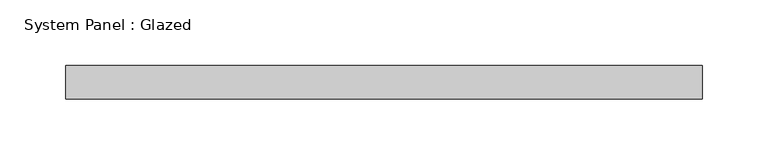
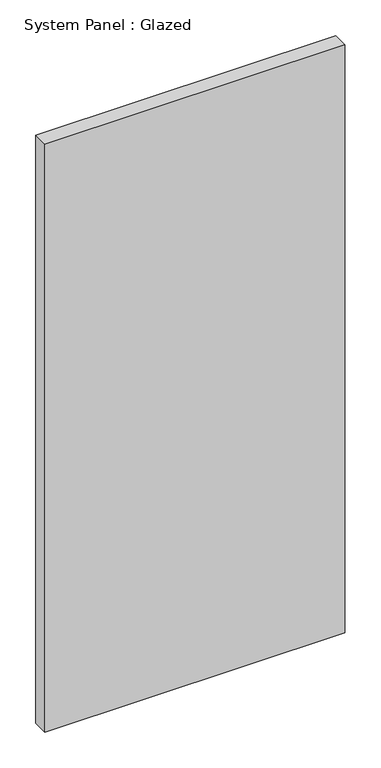
"""IFC4 building model written with IfcOpenShell, lengths in millimetres: plate geometry, System Panel : Glazed."""

import ifcopenshell
import ifcopenshell.guid

model = None  # the IFC model being written
_history = None  # IfcOwnerHistory: only IFC2X3 demands one
_inside = {}  # id of a spatial element -> (the spatial element, [elements in it])
_under = {}  # id of a project, library or spatial element -> (it, [spatial elements below it])
_declared = {}  # id of a project -> (the project, [libraries it declares])
_typed = {}  # id of a type object -> (the type object, [elements of that type])
_made_of = {}  # id of a material, layer set ... -> (it, [elements and type objects made of it])


def new_model(schema):
    """Start an empty IFC model of exactly this schema.

    Asked for "IFC4X3", IfcOpenShell would pick the latest addendum, in which some entities
    have other attributes; the version numbers below select the first issue.
    IFC2X3 requires an IfcOwnerHistory on every rooted entity: one is made here for all.
    """
    global model, _history
    if schema == "IFC4X3":
        model = ifcopenshell.file(schema_version=(4, 3, 0, 0))
    else:
        model = ifcopenshell.file(schema=schema)
    _inside.clear()
    _under.clear()
    _declared.clear()
    _typed.clear()
    _made_of.clear()
    _history = None
    if model.schema == "IFC2X3":
        org = make("IfcOrganization", Name="unknown")
        user = make(
            "IfcPersonAndOrganization",
            ThePerson=make("IfcPerson", FamilyName="unknown"),
            TheOrganization=org,
        )
        app = make(
            "IfcApplication",
            ApplicationDeveloper=org,
            Version="unknown",
            ApplicationFullName="unknown",
            ApplicationIdentifier="unknown",
        )
        _history = make(
            "IfcOwnerHistory",
            OwningUser=user,
            OwningApplication=app,
            ChangeAction="ADDED",
            CreationDate=0,
        )
    return model


def make(cls, **values):
    """One entity of the class cls with the attributes given. An attribute that is None is left unset."""
    return model.create_entity(
        cls, **{name: value for name, value in values.items() if value is not None}
    )


def rooted(cls, **values):
    """An entity with a GlobalId (a new one), such as an element, a storey or a relation."""
    return make(cls, GlobalId=ifcopenshell.guid.new(), OwnerHistory=_history, **values)


def si_unit(unit_type, name, prefix=None):
    """IfcSIUnit, for example si_unit("LENGTHUNIT", "METRE", prefix="MILLI")."""
    return make("IfcSIUnit", UnitType=unit_type, Prefix=prefix, Name=name)


def assignment(units):
    """IfcUnitAssignment: the units of a project."""
    return None if units is None else make("IfcUnitAssignment", Units=units)


def point(xyz):
    """IfcCartesianPoint."""
    return None if xyz is None else make("IfcCartesianPoint", Coordinates=xyz)


def direction(xyz):
    """IfcDirection."""
    return None if xyz is None else make("IfcDirection", DirectionRatios=xyz)


def frame(location, z_axis=None, x_axis=None):
    """IfcAxis2Placement3D, a coordinate frame: its origin and axes. An axis left out is left unset."""
    return make(
        "IfcAxis2Placement3D",
        Location=point(location),
        Axis=direction(z_axis),
        RefDirection=direction(x_axis),
    )


def origin():
    """The frame at (0, 0, 0) with its axes left unset."""
    return frame((0.0, 0.0, 0.0))


def origin_with_axes():
    """The frame at (0, 0, 0) with the z axis (0, 0, 1) and the x axis (1, 0, 0) written out."""
    return frame((0.0, 0.0, 0.0), z_axis=(0.0, 0.0, 1.0), x_axis=(1.0, 0.0, 0.0))


def place(relative_to, where):
    """IfcLocalPlacement: puts the frame where relative to a parent placement (None: the world)."""
    return make(
        "IfcLocalPlacement", PlacementRelTo=relative_to, RelativePlacement=where
    )


def context(
    kind, dimensions, precision=None, world=None, true_north=None, identifier=None
):
    """IfcGeometricRepresentationContext, for example the 3D "Model" context."""
    return make(
        "IfcGeometricRepresentationContext",
        ContextIdentifier=identifier,
        ContextType=kind,
        CoordinateSpaceDimension=dimensions,
        Precision=precision,
        WorldCoordinateSystem=world,
        TrueNorth=true_north,
    )


def project(units=None, contexts=None):
    """IfcProject with its units and contexts."""
    return rooted(
        "IfcProject",
        Name="project",
        RepresentationContexts=contexts,
        UnitsInContext=assignment(units),
    )


def spatial(cls, under=None, at=None, **own):
    """A site, building, storey or space (cls), placed at a placement, below another one or the project."""
    s = rooted(cls, ObjectPlacement=at, **own)
    if under is not None:
        _under.setdefault(under.id(), (under, []))[1].append(s)
    return s


def polyline(points):
    """IfcPolyline through the points."""
    return make("IfcPolyline", Points=[point(p) for p in points])


def outline(outer, holes=None, kind="AREA"):
    """IfcArbitraryClosedProfileDef: a profile drawn as a closed curve; with holes, ...WithVoids."""
    if holes is None:
        return make("IfcArbitraryClosedProfileDef", ProfileType=kind, OuterCurve=outer)
    return make(
        "IfcArbitraryProfileDefWithVoids",
        ProfileType=kind,
        OuterCurve=outer,
        InnerCurves=holes,
    )


def extrude(swept, where, along, depth):
    """IfcExtrudedAreaSolid: the profile swept, set in the frame where, extruded along a direction by depth."""
    return make(
        "IfcExtrudedAreaSolid",
        SweptArea=swept,
        Position=where,
        ExtrudedDirection=direction(along),
        Depth=depth,
    )


def shape(context_of_items, identifier, shape_type, items):
    """IfcShapeRepresentation: the items that make up one representation, for example the "Body"."""
    return make(
        "IfcShapeRepresentation",
        ContextOfItems=context_of_items,
        RepresentationIdentifier=identifier,
        RepresentationType=shape_type,
        Items=items,
    )


def source(mapping_origin, context_of_items, identifier, shape_type, items):
    """IfcRepresentationMap: a shape defined once, which mapped items show again and again."""
    return make(
        "IfcRepresentationMap",
        MappingOrigin=mapping_origin,
        MappedRepresentation=shape(context_of_items, identifier, shape_type, items),
    )


def transform(
    local_origin,
    x_axis=None,
    y_axis=None,
    z_axis=None,
    scale=None,
    scale2=None,
    scale3=None,
    uniform=True,
):
    """IfcCartesianTransformationOperator3D, or its non-uniform kind. x_axis, y_axis, z_axis: its Axis1, 2, 3."""
    if uniform:
        return make(
            "IfcCartesianTransformationOperator3D",
            Axis1=direction(x_axis),
            Axis2=direction(y_axis),
            LocalOrigin=point(local_origin),
            Scale=scale,
            Axis3=direction(z_axis),
        )
    return make(
        "IfcCartesianTransformationOperator3DnonUniform",
        Axis1=direction(x_axis),
        Axis2=direction(y_axis),
        LocalOrigin=point(local_origin),
        Scale=scale,
        Axis3=direction(z_axis),
        Scale2=scale2,
        Scale3=scale3,
    )


def mapped(mapping_source, mapping_target):
    """IfcMappedItem: shows the shape of a source again, moved by a transform."""
    return make(
        "IfcMappedItem", MappingSource=mapping_source, MappingTarget=mapping_target
    )


def made_of(thing, what):
    """Note that an element or type object is made of a material, layer set ...; save() writes the relation."""
    if what is not None:
        _made_of.setdefault(what.id(), (what, []))[1].append(thing)
    return thing


def element(
    cls,
    number,
    at=None,
    inside=None,
    cuts=None,
    type_object=None,
    material=None,
    context=None,
    identifier="Body",
    shape_type=None,
    held_by="IfcProductDefinitionShape",
    body=None,
    shapes=None,
    **own,
):
    """One element of the class cls, such as IfcWall. Its Tag is "e" and its number.

    at: its placement. inside: the storey or other place that contains it. cuts: it is an
    opening in that element (IfcRelVoidsElement). A single representation is given by context,
    identifier, shape_type and body (its items); several are given by shapes. held_by: the class
    of the entity that holds the representations. save() writes the other relations.
    """
    e = rooted(cls, Tag="e%d" % number, ObjectPlacement=at, **own)
    if body is not None:
        shapes = [shape(context, identifier, shape_type, body)]
    if shapes is not None:
        e.Representation = make(held_by, Representations=shapes)
    if inside is not None:
        _inside.setdefault(inside.id(), (inside, []))[1].append(e)
    if cuts is not None:
        rooted(
            "IfcRelVoidsElement", RelatingBuildingElement=cuts, RelatedOpeningElement=e
        )
    if type_object is not None:
        _typed.setdefault(type_object.id(), (type_object, []))[1].append(e)
    return made_of(e, material)


def aggregate(whole, parts):
    """IfcRelAggregates: a whole, such as a stair, and the parts it consists of."""
    return rooted("IfcRelAggregates", RelatingObject=whole, RelatedObjects=parts)


def save(model, path):
    """Write the relations noted so far, then the file.

    IfcRelAggregates (storeys below a building ...), IfcRelContainedInSpatialStructure (elements
    in a storey), IfcRelDefinesByType, IfcRelAssociatesMaterial and IfcRelDeclares: one each for
    every whole, place, type object, material and project.
    """
    for whole, parts in _under.values():
        aggregate(whole, parts)
    for where, things in _inside.values():
        rooted(
            "IfcRelContainedInSpatialStructure",
            RelatedElements=things,
            RelatingStructure=where,
        )
    for kind, things in _typed.values():
        rooted("IfcRelDefinesByType", RelatedObjects=things, RelatingType=kind)
    for what, things in _made_of.values():
        rooted("IfcRelAssociatesMaterial", RelatedObjects=things, RelatingMaterial=what)
    for by, libraries in _declared.values():
        rooted("IfcRelDeclares", RelatingContext=by, RelatedDefinitions=libraries)
    model.write(path)


def system_panel_glazed_9f105132(model_context):
    return source(origin(), model_context, "Body", "SweptSolid", [
        extrude(outline(polyline([(241.9362502, 19.05), (-241.9362502, 19.05), (-241.9362502, 44.45), (241.9362502, 44.45), (241.9362502, 19.05)])), origin_with_axes(), (0.0, 0.0, 1.0), 1003.3),
    ])


if __name__ == "__main__":
    model = new_model("IFC4")
    model_context = context("Model", 3, world=origin())
    ifc_project = project(units=[si_unit("LENGTHUNIT", "METRE", prefix="MILLI")], contexts=[model_context])
    site = spatial("IfcSite", under=ifc_project)
    building = spatial("IfcBuilding", under=site)
    placement = place(None, origin())
    system_panel_glazed_shape = system_panel_glazed_9f105132(model_context)
    element("IfcPlate", 1, ObjectType="System Panel : Glazed", at=placement, inside=building, context=model_context, shape_type="MappedRepresentation", body=[
        mapped(system_panel_glazed_shape, transform((0.0, 0.0, 0.0), x_axis=(1.0, 0.0, 0.0), y_axis=(0.0, 1.0, 0.0), z_axis=(0.0, 0.0, 1.0))),
    ])
    save(model, "model.ifc")
